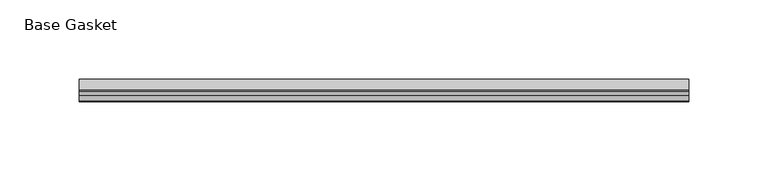
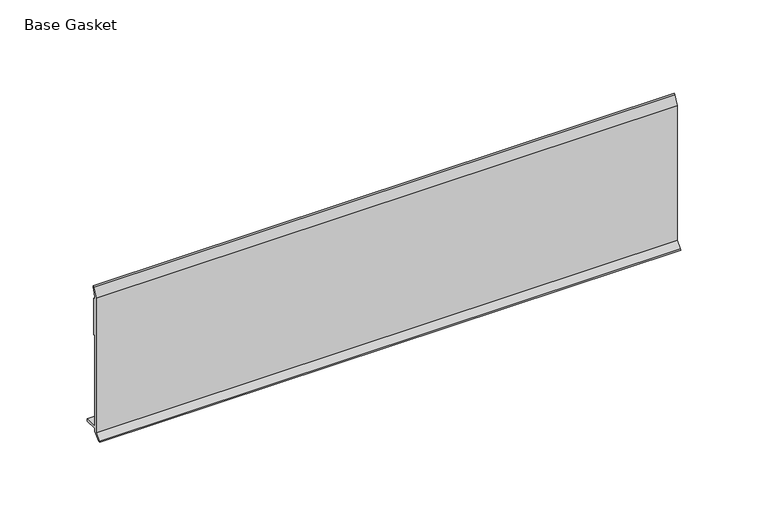
"""IFC4 building model written with IfcOpenShell, lengths in millimetres: furniture geometry, Base Gasket."""

import ifcopenshell
import ifcopenshell.guid

model = None  # the IFC model being written
_history = None  # IfcOwnerHistory: only IFC2X3 demands one
_inside = {}  # id of a spatial element -> (the spatial element, [elements in it])
_under = {}  # id of a project, library or spatial element -> (it, [spatial elements below it])
_declared = {}  # id of a project -> (the project, [libraries it declares])
_typed = {}  # id of a type object -> (the type object, [elements of that type])
_made_of = {}  # id of a material, layer set ... -> (it, [elements and type objects made of it])


def new_model(schema):
    """Start an empty IFC model of exactly this schema.

    Asked for "IFC4X3", IfcOpenShell would pick the latest addendum, in which some entities
    have other attributes; the version numbers below select the first issue.
    IFC2X3 requires an IfcOwnerHistory on every rooted entity: one is made here for all.
    """
    global model, _history
    if schema == "IFC4X3":
        model = ifcopenshell.file(schema_version=(4, 3, 0, 0))
    else:
        model = ifcopenshell.file(schema=schema)
    _inside.clear()
    _under.clear()
    _declared.clear()
    _typed.clear()
    _made_of.clear()
    _history = None
    if model.schema == "IFC2X3":
        org = make("IfcOrganization", Name="unknown")
        user = make(
            "IfcPersonAndOrganization",
            ThePerson=make("IfcPerson", FamilyName="unknown"),
            TheOrganization=org,
        )
        app = make(
            "IfcApplication",
            ApplicationDeveloper=org,
            Version="unknown",
            ApplicationFullName="unknown",
            ApplicationIdentifier="unknown",
        )
        _history = make(
            "IfcOwnerHistory",
            OwningUser=user,
            OwningApplication=app,
            ChangeAction="ADDED",
            CreationDate=0,
        )
    return model


def make(cls, **values):
    """One entity of the class cls with the attributes given. An attribute that is None is left unset."""
    return model.create_entity(
        cls, **{name: value for name, value in values.items() if value is not None}
    )


def rooted(cls, **values):
    """An entity with a GlobalId (a new one), such as an element, a storey or a relation."""
    return make(cls, GlobalId=ifcopenshell.guid.new(), OwnerHistory=_history, **values)


def si_unit(unit_type, name, prefix=None):
    """IfcSIUnit, for example si_unit("LENGTHUNIT", "METRE", prefix="MILLI")."""
    return make("IfcSIUnit", UnitType=unit_type, Prefix=prefix, Name=name)


def assignment(units):
    """IfcUnitAssignment: the units of a project."""
    return None if units is None else make("IfcUnitAssignment", Units=units)


def point(xyz):
    """IfcCartesianPoint."""
    return None if xyz is None else make("IfcCartesianPoint", Coordinates=xyz)


def direction(xyz):
    """IfcDirection."""
    return None if xyz is None else make("IfcDirection", DirectionRatios=xyz)


def frame(location, z_axis=None, x_axis=None):
    """IfcAxis2Placement3D, a coordinate frame: its origin and axes. An axis left out is left unset."""
    return make(
        "IfcAxis2Placement3D",
        Location=point(location),
        Axis=direction(z_axis),
        RefDirection=direction(x_axis),
    )


def origin():
    """The frame at (0, 0, 0) with its axes left unset."""
    return frame((0.0, 0.0, 0.0))


def place(relative_to, where):
    """IfcLocalPlacement: puts the frame where relative to a parent placement (None: the world)."""
    return make(
        "IfcLocalPlacement", PlacementRelTo=relative_to, RelativePlacement=where
    )


def context(
    kind, dimensions, precision=None, world=None, true_north=None, identifier=None
):
    """IfcGeometricRepresentationContext, for example the 3D "Model" context."""
    return make(
        "IfcGeometricRepresentationContext",
        ContextIdentifier=identifier,
        ContextType=kind,
        CoordinateSpaceDimension=dimensions,
        Precision=precision,
        WorldCoordinateSystem=world,
        TrueNorth=true_north,
    )


def project(units=None, contexts=None):
    """IfcProject with its units and contexts."""
    return rooted(
        "IfcProject",
        Name="project",
        RepresentationContexts=contexts,
        UnitsInContext=assignment(units),
    )


def spatial(cls, under=None, at=None, **own):
    """A site, building, storey or space (cls), placed at a placement, below another one or the project."""
    s = rooted(cls, ObjectPlacement=at, **own)
    if under is not None:
        _under.setdefault(under.id(), (under, []))[1].append(s)
    return s


def polyline(points):
    """IfcPolyline through the points."""
    return make("IfcPolyline", Points=[point(p) for p in points])


def outline(outer, holes=None, kind="AREA"):
    """IfcArbitraryClosedProfileDef: a profile drawn as a closed curve; with holes, ...WithVoids."""
    if holes is None:
        return make("IfcArbitraryClosedProfileDef", ProfileType=kind, OuterCurve=outer)
    return make(
        "IfcArbitraryProfileDefWithVoids",
        ProfileType=kind,
        OuterCurve=outer,
        InnerCurves=holes,
    )


def extrude(swept, where, along, depth):
    """IfcExtrudedAreaSolid: the profile swept, set in the frame where, extruded along a direction by depth."""
    return make(
        "IfcExtrudedAreaSolid",
        SweptArea=swept,
        Position=where,
        ExtrudedDirection=direction(along),
        Depth=depth,
    )


def shape(context_of_items, identifier, shape_type, items):
    """IfcShapeRepresentation: the items that make up one representation, for example the "Body"."""
    return make(
        "IfcShapeRepresentation",
        ContextOfItems=context_of_items,
        RepresentationIdentifier=identifier,
        RepresentationType=shape_type,
        Items=items,
    )


def source(mapping_origin, context_of_items, identifier, shape_type, items):
    """IfcRepresentationMap: a shape defined once, which mapped items show again and again."""
    return make(
        "IfcRepresentationMap",
        MappingOrigin=mapping_origin,
        MappedRepresentation=shape(context_of_items, identifier, shape_type, items),
    )


def transform(
    local_origin,
    x_axis=None,
    y_axis=None,
    z_axis=None,
    scale=None,
    scale2=None,
    scale3=None,
    uniform=True,
):
    """IfcCartesianTransformationOperator3D, or its non-uniform kind. x_axis, y_axis, z_axis: its Axis1, 2, 3."""
    if uniform:
        return make(
            "IfcCartesianTransformationOperator3D",
            Axis1=direction(x_axis),
            Axis2=direction(y_axis),
            LocalOrigin=point(local_origin),
            Scale=scale,
            Axis3=direction(z_axis),
        )
    return make(
        "IfcCartesianTransformationOperator3DnonUniform",
        Axis1=direction(x_axis),
        Axis2=direction(y_axis),
        LocalOrigin=point(local_origin),
        Scale=scale,
        Axis3=direction(z_axis),
        Scale2=scale2,
        Scale3=scale3,
    )


def mapped(mapping_source, mapping_target):
    """IfcMappedItem: shows the shape of a source again, moved by a transform."""
    return make(
        "IfcMappedItem", MappingSource=mapping_source, MappingTarget=mapping_target
    )


def made_of(thing, what):
    """Note that an element or type object is made of a material, layer set ...; save() writes the relation."""
    if what is not None:
        _made_of.setdefault(what.id(), (what, []))[1].append(thing)
    return thing


def element(
    cls,
    number,
    at=None,
    inside=None,
    cuts=None,
    type_object=None,
    material=None,
    context=None,
    identifier="Body",
    shape_type=None,
    held_by="IfcProductDefinitionShape",
    body=None,
    shapes=None,
    **own,
):
    """One element of the class cls, such as IfcWall. Its Tag is "e" and its number.

    at: its placement. inside: the storey or other place that contains it. cuts: it is an
    opening in that element (IfcRelVoidsElement). A single representation is given by context,
    identifier, shape_type and body (its items); several are given by shapes. held_by: the class
    of the entity that holds the representations. save() writes the other relations.
    """
    e = rooted(cls, Tag="e%d" % number, ObjectPlacement=at, **own)
    if body is not None:
        shapes = [shape(context, identifier, shape_type, body)]
    if shapes is not None:
        e.Representation = make(held_by, Representations=shapes)
    if inside is not None:
        _inside.setdefault(inside.id(), (inside, []))[1].append(e)
    if cuts is not None:
        rooted(
            "IfcRelVoidsElement", RelatingBuildingElement=cuts, RelatedOpeningElement=e
        )
    if type_object is not None:
        _typed.setdefault(type_object.id(), (type_object, []))[1].append(e)
    return made_of(e, material)


def aggregate(whole, parts):
    """IfcRelAggregates: a whole, such as a stair, and the parts it consists of."""
    return rooted("IfcRelAggregates", RelatingObject=whole, RelatedObjects=parts)


def save(model, path):
    """Write the relations noted so far, then the file.

    IfcRelAggregates (storeys below a building ...), IfcRelContainedInSpatialStructure (elements
    in a storey), IfcRelDefinesByType, IfcRelAssociatesMaterial and IfcRelDeclares: one each for
    every whole, place, type object, material and project.
    """
    for whole, parts in _under.values():
        aggregate(whole, parts)
    for where, things in _inside.values():
        rooted(
            "IfcRelContainedInSpatialStructure",
            RelatedElements=things,
            RelatingStructure=where,
        )
    for kind, things in _typed.values():
        rooted("IfcRelDefinesByType", RelatedObjects=things, RelatingType=kind)
    for what, things in _made_of.values():
        rooted("IfcRelAssociatesMaterial", RelatedObjects=things, RelatingMaterial=what)
    for by, libraries in _declared.values():
        rooted("IfcRelDeclares", RelatingContext=by, RelatedDefinitions=libraries)
    model.write(path)


def base_gasket_43bbc6c9(model_context):
    return source(origin(), model_context, "Body", "SweptSolid", [
        extrude(outline(polyline([(-3.7283812, 98.4568417), (-1.1891543, 104.587663), (-0.6755308, 105.2002997), (-0.6755308, 104.4162708), (-2.2043812, 98.4568417), (-2.2043812, 96.8693477), (-1.4106313, 96.8693477), (-1.4106313, 71.4693447), (-2.2043812, 71.4693447), (-2.2043812, 7.9398773), (6.2405171, 7.9398773), (6.2405171, 6.3818476), (-2.1334222, 6.3818476), (-2.2043812, 4.3498477), (-6.8281054, 0.3520979), (-7.8482342, 0.0), (-7.4222115, 0.6560174), (-3.7283812, 4.3498477), (-3.7283812, 98.4568417)])), frame((-1527.8982117, 0.0, 0.0), z_axis=(1.0, 0.0, 0.0), x_axis=(0.0, 1.0, 0.0)), (0.0, 0.0, 1.0), 384.242247),
    ])


if __name__ == "__main__":
    model = new_model("IFC4")
    model_context = context("Model", 3, world=origin())
    ifc_project = project(units=[si_unit("LENGTHUNIT", "METRE", prefix="MILLI")], contexts=[model_context])
    site = spatial("IfcSite", under=ifc_project)
    building = spatial("IfcBuilding", under=site)
    placement = place(None, origin())
    base_gasket_shape = base_gasket_43bbc6c9(model_context)
    element("IfcFurniture", 1, ObjectType="Base Gasket", at=placement, inside=building, context=model_context, shape_type="MappedRepresentation", body=[
        mapped(base_gasket_shape, transform((0.0, 0.0, 0.0), x_axis=(1.0, 0.0, 0.0), y_axis=(0.0, 1.0, 0.0), z_axis=(0.0, 0.0, 1.0))),
    ])
    save(model, "model.ifc")
